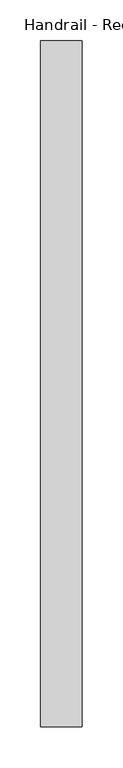
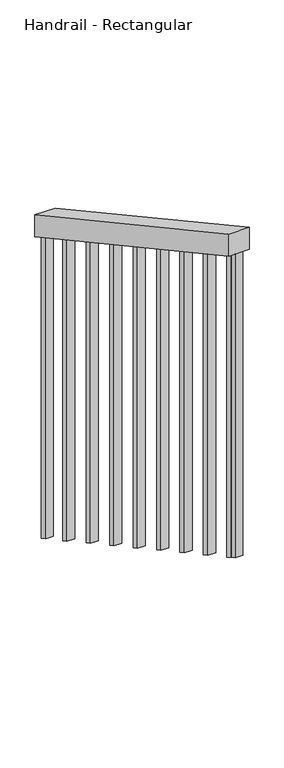
"""IFC4 building model written with IfcOpenShell, lengths in millimetres: railing geometry, Handrail - Rectangular."""

from ifc_helpers import new_model, si_unit, frame, origin, place, context, project, spatial, polyline, outline, extrude, source, transform, mapped, element, save


def handrail_rectangular_ebd01148(model_context):
    return source(origin(), model_context, "Body", "SweptSolid", [
        extrude(outline(polyline([(24069.7695284, 457.2), (24069.7695284, 399.3343477), (23231.5695284, 856.5343477), (23231.5695284, 914.4), (24069.7695284, 457.2)])), frame((-17171.9440345, 0.0, 0.0), z_axis=(1.0, 0.0, 0.0), x_axis=(0.0, 1.0, 0.0)), (0.0, 0.0, 1.0), 50.8),
        extrude(outline(polyline([(23266.4945284, 837.4843477), (23266.4945284, 35.2936667), (23247.4445284, 45.6845758), (23247.4445284, 847.8752568), (23266.4945284, 837.4843477)])), frame((-17156.0690345, 0.0, 0.0), z_axis=(1.0, 0.0, 0.0), x_axis=(0.0, 1.0, 0.0)), (0.0, 0.0, 1.0), 19.05),
        extrude(outline(polyline([(23368.0945284, 782.0661659), (23368.0945284, -20.1245151), (23349.0445284, -9.733606), (23349.0445284, 792.4570749), (23368.0945284, 782.0661659)])), frame((-17156.0690345, 0.0, 0.0), z_axis=(1.0, 0.0, 0.0), x_axis=(0.0, 1.0, 0.0)), (0.0, 0.0, 1.0), 19.05),
        extrude(outline(polyline([(23469.6945284, 726.647984), (23469.6945284, -75.5426969), (23450.6445284, -65.1517878), (23450.6445284, 737.0388931), (23469.6945284, 726.647984)])), frame((-17156.0690345, 0.0, 0.0), z_axis=(1.0, 0.0, 0.0), x_axis=(0.0, 1.0, 0.0)), (0.0, 0.0, 1.0), 19.05),
        extrude(outline(polyline([(23571.2945284, 671.2298022), (23571.2945284, -130.9608787), (23552.2445284, -120.5699696), (23552.2445284, 681.6207113), (23571.2945284, 671.2298022)])), frame((-17156.0690345, 0.0, 0.0), z_axis=(1.0, 0.0, 0.0), x_axis=(0.0, 1.0, 0.0)), (0.0, 0.0, 1.0), 19.05),
        extrude(outline(polyline([(23672.8945284, 615.8116204), (23672.8945284, -186.3790605), (23653.8445284, -175.9881515), (23653.8445284, 626.2025295), (23672.8945284, 615.8116204)])), frame((-17156.0690345, 0.0, 0.0), z_axis=(1.0, 0.0, 0.0), x_axis=(0.0, 1.0, 0.0)), (0.0, 0.0, 1.0), 19.05),
        extrude(outline(polyline([(23774.4945284, 560.3934386), (23774.4945284, -241.7972424), (23755.4445284, -231.4063333), (23755.4445284, 570.7843477), (23774.4945284, 560.3934386)])), frame((-17156.0690345, 0.0, 0.0), z_axis=(1.0, 0.0, 0.0), x_axis=(0.0, 1.0, 0.0)), (0.0, 0.0, 1.0), 19.05),
        extrude(outline(polyline([(23876.0945284, 504.9752568), (23876.0945284, -297.2154242), (23857.0445284, -286.8245151), (23857.0445284, 515.3661659), (23876.0945284, 504.9752568)])), frame((-17156.0690345, 0.0, 0.0), z_axis=(1.0, 0.0, 0.0), x_axis=(0.0, 1.0, 0.0)), (0.0, 0.0, 1.0), 19.05),
        extrude(outline(polyline([(23977.6945284, 449.5570749), (23977.6945284, -352.633606), (23958.6445284, -342.2426969), (23958.6445284, 459.947984), (23977.6945284, 449.5570749)])), frame((-17156.0690345, 0.0, 0.0), z_axis=(1.0, 0.0, 0.0), x_axis=(0.0, 1.0, 0.0)), (0.0, 0.0, 1.0), 19.05),
        extrude(outline(polyline([(23250.6195284, 846.1434386), (23250.6195284, 43.9527576), (23231.5695284, 54.3436667), (23231.5695284, 856.5343477), (23250.6195284, 846.1434386)])), frame((-17156.0690345, 0.0, 0.0), z_axis=(1.0, 0.0, 0.0), x_axis=(0.0, 1.0, 0.0)), (0.0, 0.0, 1.0), 19.05),
        extrude(outline(polyline([(24069.7695284, 399.3343477), (24069.7695284, -402.8563333), (24050.7195284, -392.4654242), (24050.7195284, 409.7252568), (24069.7695284, 399.3343477)])), frame((-17156.0690345, 0.0, 0.0), z_axis=(1.0, 0.0, 0.0), x_axis=(0.0, 1.0, 0.0)), (0.0, 0.0, 1.0), 19.05),
    ])


if __name__ == "__main__":
    model = new_model("IFC4")
    model_context = context("Model", 3, world=origin())
    ifc_project = project(units=[si_unit("LENGTHUNIT", "METRE", prefix="MILLI")], contexts=[model_context])
    site = spatial("IfcSite", under=ifc_project)
    building = spatial("IfcBuilding", under=site)
    placement = place(None, origin())
    handrail_rectangular_shape = handrail_rectangular_ebd01148(model_context)
    element("IfcRailing", 1, ObjectType="Handrail - Rectangular", at=placement, inside=building, context=model_context, shape_type="MappedRepresentation", body=[
        mapped(handrail_rectangular_shape, transform((0.0, 0.0, 0.0), x_axis=(1.0, 0.0, 0.0), y_axis=(0.0, 1.0, 0.0), z_axis=(0.0, 0.0, 1.0))),
    ])
    save(model, "model.ifc")
